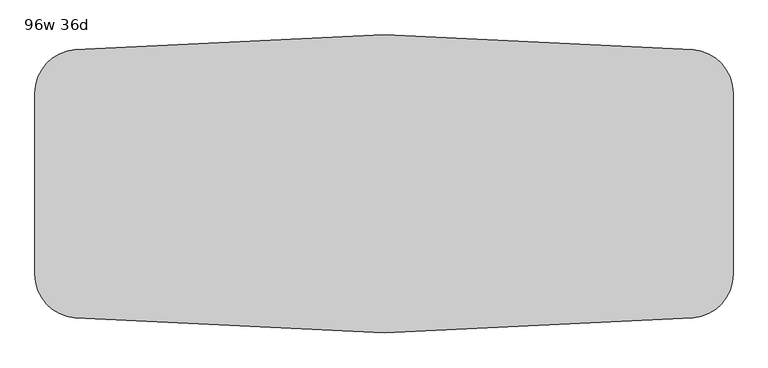
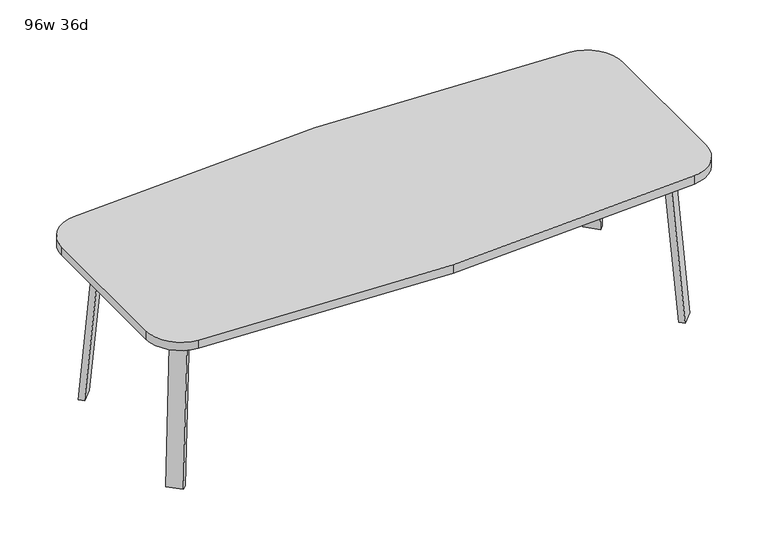
"""IFC4 building model written with IfcOpenShell, lengths in millimetres: furniture geometry, 96w 36d."""

from ifc_helpers import new_model, si_unit, point, frame, frame_2d, origin, place, context, project, spatial, polyline, circle_curve, trimmed, segment, composite_curve, outline, extrude, faceted_brep, source, transform, mapped, element, save


def furniture_96w_36d_8a8833c8(model_context):
    return source(origin(), model_context, "Body", "SolidModel", [
        faceted_brep([(911.0753042, -274.0920519, 695.325), (950.5884312, -234.578925, 695.325), (1005.7047531, -289.6952469, 695.325), (999.0631053, -296.3368947, 695.325), (938.0160726, -301.0328203, 695.325), (1058.3368947, -237.0631053, 695.325), (1052.4020849, -242.9979151, 695.325), (997.285763, -187.8815931, 695.325), (1036.7988899, -148.3684662, 695.325), (1063.7396583, -175.3092346, 695.325), (911.0753042, -274.0920519, 698.5), (938.0160726, -301.0328203, 698.5), (999.0631053, -296.3368947, 698.5), (1058.3368947, -237.0631053, 698.5), (1063.7396583, -175.3092346, 698.5), (1036.7988899, -148.3684662, 698.5), (1005.7047531, -289.6952469, 673.1), (1052.4020849, -242.9979151, 673.1), (960.8034725, -244.7939663, 673.1), (1007.5008043, -198.0966345, 673.1)], [[[0, 1, 2, 3, 4]], [[5, 6, 7, 8, 9]], [[10, 11, 12, 13, 14, 15]], [[4, 11, 10, 0]], [[3, 12, 11, 4]], [[12, 3, 2, 16, 17, 6, 5, 13]], [[9, 14, 13, 5]], [[8, 15, 14, 9]], [[15, 8, 7, 1, 0, 10]], [[2, 1, 18, 16]], [[7, 6, 17, 19]], [[18, 19, 17, 16]], [[1, 7, 19, 18]]]),
        extrude(outline(composite_curve([segment(polyline([(-698.9257667, 0.0), (-704.4601563, 63.2583633), (-679.156811, 65.4721192), (-677.172355, 42.7896831)]), True, "CONTINUOUS"), segment(trimmed(circle_curve(frame_2d((-658.194846, 44.45)), 19.05), [point((-677.172355, 42.7896831))], [point((-658.194846, 25.4))], True, "CARTESIAN"), True, "CONTINUOUS"), segment(polyline([(-658.194846, 25.4), (0.0201778, 25.4), (2.2423899, 0.0), (-698.9257667, 0.0)]), True, "CONTINUOUS")], self_intersect=False)), frame((1091.9792647, -379.3706733, 2.2338569), z_axis=(0.7071067811865512, 0.707106781186544, 0.0), x_axis=(0.06162841671622733, -0.06162841671621349, -0.9961946980917454)), (0.0, 0.0, 1.0), 69.85),
        faceted_brep([(911.0753042, 274.0920519, 695.325), (938.0160726, 301.0328203, 695.325), (999.0631053, 296.3368947, 695.325), (1005.7047531, 289.6952469, 695.325), (950.5884312, 234.578925, 695.325), (1058.3368947, 237.0631053, 695.325), (1063.7396583, 175.3092346, 695.325), (1036.7988899, 148.3684662, 695.325), (997.285763, 187.8815931, 695.325), (1052.4020849, 242.9979151, 695.325), (911.0753042, 274.0920519, 698.5), (1036.7988899, 148.3684662, 698.5), (1063.7396583, 175.3092346, 698.5), (1058.3368947, 237.0631053, 698.5), (999.0631053, 296.3368947, 698.5), (938.0160726, 301.0328203, 698.5), (1052.4020849, 242.9979151, 673.1), (1005.7047531, 289.6952469, 673.1), (960.8034725, 244.7939663, 673.1), (1007.5008043, 198.0966345, 673.1)], [[[0, 1, 2, 3, 4]], [[5, 6, 7, 8, 9]], [[10, 11, 12, 13, 14, 15]], [[1, 0, 10, 15]], [[2, 1, 15, 14]], [[14, 13, 5, 9, 16, 17, 3, 2]], [[6, 5, 13, 12]], [[7, 6, 12, 11]], [[11, 10, 0, 4, 8, 7]], [[3, 17, 18, 4]], [[8, 19, 16, 9]], [[18, 17, 16, 19]], [[4, 18, 19, 8]]]),
        extrude(outline(composite_curve([segment(polyline([(698.9257667, 0.0), (704.4601563, -63.2583633), (679.156811, -65.4721192), (677.172355, -42.7896831)]), True, "CONTINUOUS"), segment(trimmed(circle_curve(frame_2d((658.194846, -44.45)), 19.05), [point((677.172355, -42.7896831))], [point((658.194846, -25.4))], True, "CARTESIAN"), True, "CONTINUOUS"), segment(polyline([(658.194846, -25.4), (-0.0201778, -25.4), (-2.2423899, 0.0), (698.9257667, 0.0)]), True, "CONTINUOUS")], self_intersect=False)), frame((1141.3706733, 329.9792647, 2.2338569), z_axis=(-0.7071067811865512, 0.707106781186544, 0.0), x_axis=(-0.06162841671622733, -0.06162841671621349, 0.9961946980917454)), (0.0, 0.0, 1.0), 69.85),
        faceted_brep([(-911.0753042, 274.0920519, 695.325), (-950.5884312, 234.578925, 695.325), (-1005.7047531, 289.6952469, 695.325), (-999.0631053, 296.3368947, 695.325), (-938.0160726, 301.0328203, 695.325), (-1058.3368947, 237.0631053, 695.325), (-1052.4020849, 242.9979151, 695.325), (-997.285763, 187.8815931, 695.325), (-1036.7988899, 148.3684662, 695.325), (-1063.7396583, 175.3092346, 695.325), (-911.0753042, 274.0920519, 698.5), (-938.0160726, 301.0328203, 698.5), (-999.0631053, 296.3368947, 698.5), (-1058.3368947, 237.0631053, 698.5), (-1063.7396583, 175.3092346, 698.5), (-1036.7988899, 148.3684662, 698.5), (-1005.7047531, 289.6952469, 673.1), (-1052.4020849, 242.9979151, 673.1), (-960.8034725, 244.7939663, 673.1), (-1007.5008043, 198.0966345, 673.1)], [[[0, 1, 2, 3, 4]], [[5, 6, 7, 8, 9]], [[10, 11, 12, 13, 14, 15]], [[4, 11, 10, 0]], [[3, 12, 11, 4]], [[12, 3, 2, 16, 17, 6, 5, 13]], [[9, 14, 13, 5]], [[8, 15, 14, 9]], [[15, 8, 7, 1, 0, 10]], [[2, 1, 18, 16]], [[7, 6, 17, 19]], [[18, 19, 17, 16]], [[1, 7, 19, 18]]]),
        extrude(outline(composite_curve([segment(polyline([(698.9257667, 0.0), (-2.2423899, 0.0), (-0.0201778, 25.4), (658.194846, 25.4)]), True, "CONTINUOUS"), segment(trimmed(circle_curve(frame_2d((658.194846, 44.45)), 19.05), [point((658.194846, 25.4))], [point((677.172355, 42.7896831))], True, "CARTESIAN"), True, "CONTINUOUS"), segment(polyline([(677.172355, 42.7896831), (679.156811, 65.4721192), (704.4601563, 63.2583633), (698.9257667, 0.0)]), True, "CONTINUOUS")], self_intersect=False)), frame((-1141.3706733, 329.9792647, 2.2338569), z_axis=(0.7071067811865512, 0.707106781186544, 0.0), x_axis=(0.06162841671622733, -0.06162841671621349, 0.9961946980917454)), (0.0, 0.0, 1.0), 69.85),
        faceted_brep([(-911.0753042, -274.0920519, 695.325), (-938.0160726, -301.0328203, 695.325), (-999.0631053, -296.3368947, 695.325), (-1005.7047531, -289.6952469, 695.325), (-950.5884312, -234.578925, 695.325), (-1058.3368947, -237.0631053, 695.325), (-1063.7396583, -175.3092346, 695.325), (-1036.7988899, -148.3684662, 695.325), (-997.285763, -187.8815931, 695.325), (-1052.4020849, -242.9979151, 695.325), (-911.0753042, -274.0920519, 698.5), (-1036.7988899, -148.3684662, 698.5), (-1063.7396583, -175.3092346, 698.5), (-1058.3368947, -237.0631053, 698.5), (-999.0631053, -296.3368947, 698.5), (-938.0160726, -301.0328203, 698.5), (-1052.4020849, -242.9979151, 673.1), (-1005.7047531, -289.6952469, 673.1), (-960.8034725, -244.7939663, 673.1), (-1007.5008043, -198.0966345, 673.1)], [[[0, 1, 2, 3, 4]], [[5, 6, 7, 8, 9]], [[10, 11, 12, 13, 14, 15]], [[1, 0, 10, 15]], [[2, 1, 15, 14]], [[14, 13, 5, 9, 16, 17, 3, 2]], [[6, 5, 13, 12]], [[7, 6, 12, 11]], [[11, 10, 0, 4, 8, 7]], [[3, 17, 18, 4]], [[8, 19, 16, 9]], [[18, 17, 16, 19]], [[4, 18, 19, 8]]]),
        extrude(outline(composite_curve([segment(polyline([(-698.9257667, 0.0), (2.2423899, 0.0), (0.0201778, -25.4), (-658.194846, -25.4)]), True, "CONTINUOUS"), segment(trimmed(circle_curve(frame_2d((-658.194846, -44.45)), 19.05), [point((-658.194846, -25.4))], [point((-677.172355, -42.7896831))], True, "CARTESIAN"), True, "CONTINUOUS"), segment(polyline([(-677.172355, -42.7896831), (-679.156811, -65.4721192), (-704.4601563, -63.2583633), (-698.9257667, 0.0)]), True, "CONTINUOUS")], self_intersect=False)), frame((-1091.9792647, -379.3706733, 2.2338569), z_axis=(-0.7071067811865512, 0.707106781186544, 0.0), x_axis=(-0.06162841671622733, -0.06162841671621349, -0.9961946980917454)), (0.0, 0.0, 1.0), 69.85),
        extrude(outline(composite_curve([segment(trimmed(circle_curve(frame_2d((-1066.8, 316.9717488)), 152.4), [point((-1219.2, 316.9717488))], [point((-1079.4561311, 468.8453224))], False, "CARTESIAN"), True, "CONTINUOUS"), segment(polyline([(-1079.4561311, 468.8453224), (0.0, 520.7), (1079.4561311, 468.8453224)]), True, "CONTINUOUS"), segment(trimmed(circle_curve(frame_2d((1066.8, 316.9717488)), 152.4), [point((1079.4561311, 468.8453224))], [point((1219.2, 316.9717488))], False, "CARTESIAN"), True, "CONTINUOUS"), segment(polyline([(1219.2, 316.9717488), (1219.2, -316.9717488)]), True, "CONTINUOUS"), segment(trimmed(circle_curve(frame_2d((1066.8, -316.9717488)), 152.4), [point((1219.2, -316.9717488))], [point((1079.4561311, -468.8453224))], False, "CARTESIAN"), True, "CONTINUOUS"), segment(polyline([(1079.4561311, -468.8453224), (0.0, -520.7), (-1079.4561311, -468.8453224)]), True, "CONTINUOUS"), segment(trimmed(circle_curve(frame_2d((-1066.8, -316.9717488)), 152.4), [point((-1079.4561311, -468.8453224))], [point((-1219.2, -316.9717488))], False, "CARTESIAN"), True, "CONTINUOUS"), segment(polyline([(-1219.2, -316.9717488), (-1219.2, 316.9717488)]), True, "CONTINUOUS")], self_intersect=False)), frame((0.0, 0.0, 698.5), z_axis=(0.0, 0.0, 1.0), x_axis=(1.0, 0.0, 0.0)), (0.0, 0.0, 1.0), 38.1),
    ])


if __name__ == "__main__":
    model = new_model("IFC4")
    model_context = context("Model", 3, world=origin())
    ifc_project = project(units=[si_unit("LENGTHUNIT", "METRE", prefix="MILLI")], contexts=[model_context])
    site = spatial("IfcSite", under=ifc_project)
    building = spatial("IfcBuilding", under=site)
    placement = place(None, origin())
    furniture_96w_36d_shape = furniture_96w_36d_8a8833c8(model_context)
    element("IfcFurniture", 1, ObjectType="96w 36d", at=placement, inside=building, context=model_context, shape_type="MappedRepresentation", body=[
        mapped(furniture_96w_36d_shape, transform((0.0, 0.0, 0.0), x_axis=(1.0, 0.0, 0.0), y_axis=(0.0, 1.0, 0.0), z_axis=(0.0, 0.0, 1.0))),
    ])
    save(model, "model.ifc")
